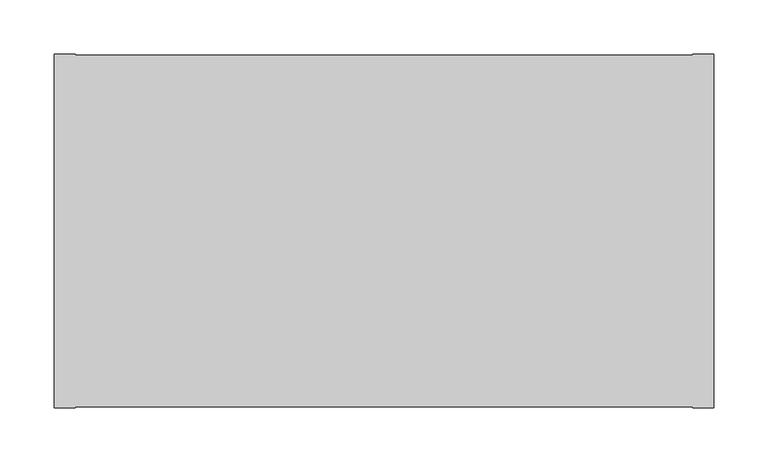
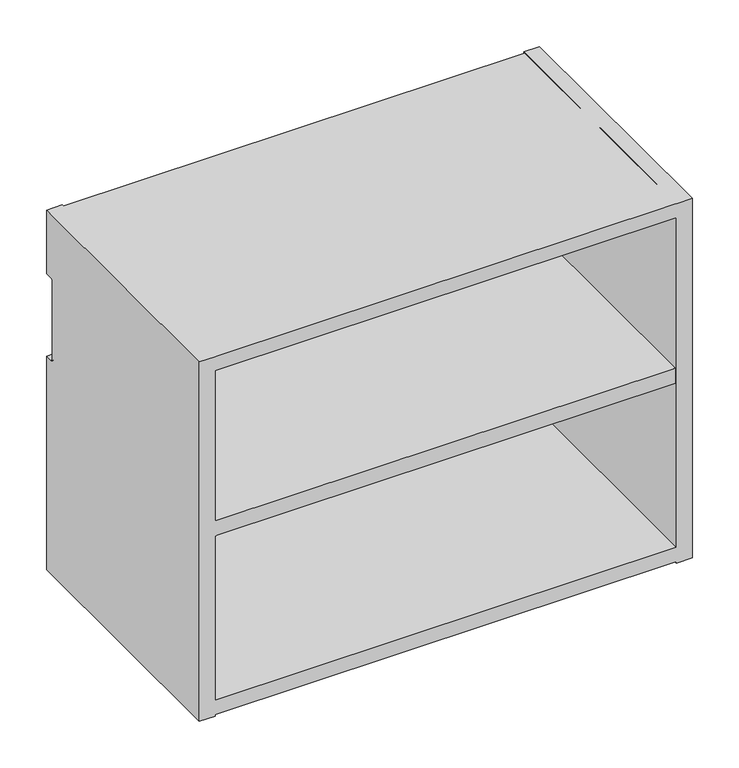
"""IFC4 building model written with IfcOpenShell, lengths in millimetres: furniture geometry."""

from ifc_helpers import new_model, si_unit, origin, place, context, project, spatial, triangles, source, transform, mapped, element, save


def furniture_dbb755fa(model_context):
    return source(origin(), model_context, "Body", "Tessellation", [
        triangles([(590.2959821, -326.034387, 450.5960063), (590.2959821, -0.9906, 450.5960063), (590.2959821, -0.9906, 468.909387), (590.2959821, -326.034387, 468.909387), (19.3039998, -326.034387, 450.5960063), (19.3039998, -0.9906, 450.5960063), (19.3039998, -326.034387, 468.909387), (19.3039998, -0.9906, 468.909387), (0.0, 0.0, 386.8420126), (19.3039998, 0.0, 386.8420126), (19.3039998, -8.7634487, 386.8420126), (0.0, -8.7634487, 386.8420126), (19.3039998, -8.7630002, 278.8919884), (19.3039998, 0.0, 278.8919884), (0.0, 0.0, 278.8919884), (0.0, -8.7630002, 278.8919884), (19.3039998, -11.8298148, 281.2452241), (0.0, -11.8298148, 281.2452241), (0.0, -11.938, 282.0669763), (19.3039998, -11.938, 282.0669763), (19.3039998, -11.5126308, 280.4794823), (0.0, -11.5126308, 280.4794823), (19.3039998, -11.0080638, 279.8219098), (0.0, -11.0080638, 279.8219098), (19.3039998, -10.3505003, 279.317344), (0.0, -10.3505003, 279.317344), (19.3039998, -9.5847506, 279.0001758), (0.0, -9.5847506, 279.0001758), (19.3039998, -11.938, 383.6674607), (0.0, -11.938, 383.6674607), (19.3039998, -9.5850833, 386.7338433), (0.0, -9.5850833, 386.7338433), (19.3039998, -10.350724, 386.4166752), (0.0, -10.350724, 386.4166752), (19.3039998, -11.0081955, 385.9122002), (0.0, -11.0081955, 385.9122002), (19.3039998, -11.5126909, 385.2547185), (0.0, -11.5126909, 385.2547185), (19.3039998, -11.8298296, 384.4890676), (0.0, -11.8298296, 384.4890676), (19.3039998, -327.0249879, 469.8999879), (19.3039998, -327.0249879, -1.26e-05), (19.3039998, 0.0, -1.26e-05), (19.3039998, 0.0, 469.8999879), (0.0, -327.0249879, -1.26e-05), (0.0, 0.0, -1.26e-05), (0.0, -327.0249879, 469.8999879), (0.0, 0.0, 469.8999879), (590.2959821, -11.938, 450.5960063), (19.3039998, -11.938, 450.5960063), (19.3039998, -31.2419997, 450.5960063), (590.2959821, -31.2419997, 450.5960063), (590.2959821, -11.938, 20.294587), (19.3039998, -11.938, 20.294587), (590.2959821, -31.2419997, 20.294587), (19.3039998, -31.2419997, 20.294587), (590.2959821, -326.034387, 0.9905875), (590.2959821, -0.9906, 0.9905875), (590.2959821, -0.9906, 20.294587), (590.2959821, -326.034387, 20.294587), (19.3039998, -326.034387, 0.9905875), (19.3039998, -0.9906, 0.9905875), (19.3039998, -326.034387, 20.294587), (19.3039998, -0.9906, 20.294587), (609.6, 0.0, 386.8420126), (609.6, -8.7634487, 386.8420126), (590.2959821, -8.7634487, 386.8420126), (590.2959821, 0.0, 386.8420126), (609.6, -8.7630002, 278.8919884), (609.6, 0.0, 278.8919884), (590.2959821, 0.0, 278.8919884), (590.2959821, -8.7630002, 278.8919884), (609.6, -11.8298148, 281.2452241), (590.2959821, -11.8298148, 281.2452241), (590.2959821, -11.938, 282.0669763), (609.6, -11.938, 282.0669763), (609.6, -11.5126308, 280.4794823), (590.2959821, -11.5126308, 280.4794823), (590.2959821, -11.0080638, 279.8219098), (609.6, -11.0080638, 279.8219098), (609.6, -9.5847506, 279.0001758), (590.2959821, -9.5847506, 279.0001758), (590.2959821, -10.3505003, 279.317344), (609.6, -10.3505003, 279.317344), (609.6, -11.938, 383.6674607), (590.2959821, -11.938, 383.6674607), (609.6, -9.5850833, 386.7338433), (590.2959821, -9.5850833, 386.7338433), (609.6, -10.350724, 386.4166752), (590.2959821, -10.350724, 386.4166752), (590.2959821, -11.0081955, 385.9122002), (609.6, -11.0081955, 385.9122002), (609.6, -11.8298296, 384.4890676), (590.2959821, -11.8298296, 384.4890676), (590.2959821, -11.5126909, 385.2547185), (609.6, -11.5126909, 385.2547185), (609.6, -327.0249879, 469.8999879), (609.6, -327.0249879, -1.26e-05), (609.6, 0.0, -1.26e-05), (609.6, 0.0, 469.8999879), (590.2959821, -327.0249879, -1.26e-05), (590.2959821, 0.0, -1.26e-05), (590.2959821, -327.0249879, 469.8999879), (590.2959821, 0.0, 469.8999879), (589.6609918, -326.034387, 234.9499758), (19.9389992, -326.034387, 234.9499758), (19.9389992, -31.2419997, 234.9499758), (589.6609918, -31.2419997, 234.9499758), (19.9389992, -326.034387, 254.2539755), (19.9389992, -31.2419997, 254.2539755), (589.6609918, -326.034387, 254.2539755), (589.6609918, -31.2419997, 254.2539755)], [[1, 2, 3], [1, 3, 4], [1, 5, 6], [1, 6, 2], [6, 5, 7], [6, 7, 8], [4, 3, 8], [4, 8, 7], [2, 6, 8], [2, 8, 3], [7, 5, 1], [7, 1, 4], [9, 10, 11], [9, 11, 12], [13, 14, 15], [13, 15, 16], [17, 18, 19], [17, 19, 20], [21, 22, 18], [21, 18, 17], [22, 21, 23], [22, 23, 24], [25, 26, 24], [25, 24, 23], [27, 28, 26], [27, 26, 25], [28, 27, 13], [28, 13, 16], [29, 20, 19], [29, 19, 30], [31, 32, 12], [31, 12, 11], [33, 34, 32], [33, 32, 31], [34, 33, 35], [34, 35, 36], [37, 38, 36], [37, 36, 35], [39, 40, 38], [39, 38, 37], [40, 39, 29], [40, 29, 30], [17, 20, 41], [17, 41, 42], [21, 17, 42], [23, 21, 43], [21, 42, 43], [29, 39, 41], [29, 41, 20], [37, 44, 41], [37, 41, 39], [44, 37, 35], [27, 25, 43], [13, 43, 14], [43, 13, 27], [25, 23, 43], [33, 31, 44], [11, 10, 44], [11, 44, 31], [33, 44, 35], [43, 42, 45], [43, 45, 46], [47, 30, 19], [30, 47, 40], [38, 40, 47], [38, 47, 48], [48, 36, 38], [18, 45, 47], [18, 47, 19], [45, 22, 24], [45, 24, 46], [18, 22, 45], [32, 34, 48], [12, 48, 9], [48, 12, 32], [34, 36, 48], [26, 28, 46], [16, 15, 46], [16, 46, 28], [26, 46, 24], [41, 44, 48], [41, 48, 47], [46, 15, 14], [46, 14, 43], [9, 48, 44], [9, 44, 10], [47, 45, 42], [47, 42, 41], [49, 50, 51], [49, 51, 52], [49, 53, 54], [49, 54, 50], [53, 55, 56], [53, 56, 54], [52, 51, 56], [52, 56, 55], [50, 54, 56], [50, 56, 51], [55, 53, 49], [55, 49, 52], [57, 58, 59], [57, 59, 60], [57, 61, 62], [57, 62, 58], [61, 63, 64], [61, 64, 62], [60, 59, 64], [60, 64, 63], [58, 62, 64], [58, 64, 59], [63, 61, 57], [63, 57, 60], [65, 66, 67], [65, 67, 68], [69, 70, 71], [69, 71, 72], [73, 74, 75], [73, 75, 76], [77, 78, 74], [77, 74, 73], [78, 77, 79], [77, 80, 79], [81, 82, 83], [81, 83, 84], [69, 72, 82], [69, 82, 81], [79, 80, 83], [80, 84, 83], [85, 76, 75], [85, 75, 86], [87, 88, 67], [87, 67, 66], [89, 90, 88], [89, 88, 87], [90, 89, 91], [89, 92, 91], [93, 94, 95], [93, 95, 96], [85, 86, 94], [85, 94, 93], [91, 92, 95], [92, 96, 95], [73, 76, 97], [73, 97, 98], [77, 73, 98], [80, 77, 99], [77, 98, 99], [85, 93, 97], [85, 97, 76], [96, 100, 97], [96, 97, 93], [100, 96, 92], [81, 84, 99], [69, 99, 70], [99, 69, 81], [84, 80, 99], [89, 87, 100], [66, 65, 100], [66, 100, 87], [89, 100, 92], [98, 101, 102], [98, 102, 99], [103, 86, 75], [86, 103, 94], [95, 94, 103], [95, 103, 104], [104, 91, 95], [74, 101, 103], [74, 103, 75], [101, 78, 79], [101, 79, 102], [74, 78, 101], [88, 90, 104], [67, 104, 68], [104, 67, 88], [90, 91, 104], [83, 82, 102], [72, 71, 102], [72, 102, 82], [83, 102, 79], [97, 100, 104], [97, 104, 103], [102, 71, 70], [102, 70, 99], [68, 104, 100], [68, 100, 65], [103, 101, 98], [103, 98, 97], [105, 106, 107], [105, 107, 108], [107, 106, 109], [107, 109, 110], [111, 112, 110], [111, 110, 109], [105, 108, 112], [105, 112, 111], [110, 112, 108], [110, 108, 107], [111, 109, 106], [111, 106, 105]]),
    ])


if __name__ == "__main__":
    model = new_model("IFC4")
    model_context = context("Model", 3, world=origin())
    ifc_project = project(units=[si_unit("LENGTHUNIT", "METRE", prefix="MILLI")], contexts=[model_context])
    site = spatial("IfcSite", under=ifc_project)
    building = spatial("IfcBuilding", under=site)
    placement = place(None, origin())
    furniture_shape = furniture_dbb755fa(model_context)
    element("IfcFurniture", 1, at=placement, inside=building, context=model_context, shape_type="MappedRepresentation", body=[
        mapped(furniture_shape, transform((0.0, 0.0, 0.0), x_axis=(1.0, 0.0, 0.0), y_axis=(0.0, 1.0, 0.0), z_axis=(0.0, 0.0, 1.0))),
    ])
    save(model, "model.ifc")
